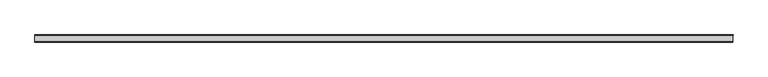
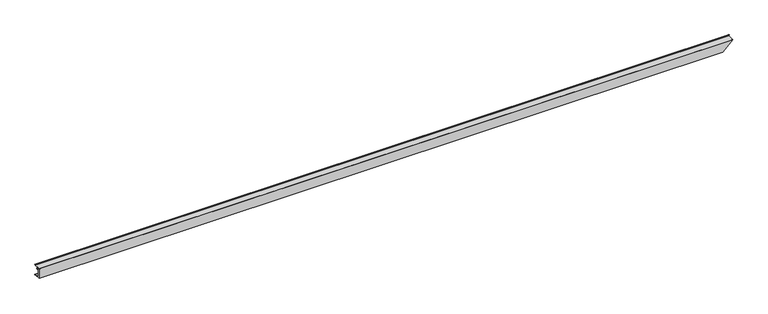
"""IFC4 building model written with IfcOpenShell, lengths in millimetres: proxy geometry."""

from ifc_helpers import new_model, si_unit, frame, origin, place, context, project, spatial, polyline, circle_curve, ellipse_curve, faceted_brep, source, transform, mapped, element, save
from ifc_brep_helpers import plane_surface, cylinder_surface, revolved_surface, advanced_brep


def specialty_equipment_a21228e5(model_context):
    return source(origin(), model_context, "Body", "SolidModel", [
        advanced_brep(
        [(0.0, 84.2845729, 38.6991105), (0.0, 83.3664989, 39.1343073), (0.0, 86.6833746, 46.1314568), (0.0, 84.8585816, 47.1962023), (0.0, 77.3330614, 39.6706822), (0.0, 0.508, 39.6706822), (0.0, 0.0, 39.1626822), (0.0, 0.0, -117.9937142), (0.0, 77.6452525, -117.9937142), (0.0, 84.9491753, -125.297637), (0.0, 86.4483719, -123.5019856), (0.0, 84.7304835, -118.7713), (0.0, 85.6854666, -118.42451), (0.0, 87.3951284, -123.1325414), (0.0, 84.4065446, -126.1918474), (0.0, 77.2244115, -119.0097142), (0.0, -25.5276818, -119.0097142), (0.0, -25.5276818, 39.6706822), (0.0, -24.5116818, 40.6866822), (0.0, 76.9122205, 40.6866822), (0.0, 84.2236616, 47.9893811), (0.0, 87.6862978, 45.9689732), (11049.5991105, 84.2845729, 38.6991105), (11050.0343073, 83.3664989, 39.1343073), (11057.0314568, 86.6833746, 46.1314568), (11058.0962023, 84.8585816, 47.1962023), (11050.5706822, 77.3330614, 39.6706822), (11050.5706822, 0.508, 39.6706822), (11050.0626822, 0.0, 39.1626822), (10892.9062858, 0.0, -117.9937142), (10892.9062858, 77.6452525, -117.9937142), (10885.602363, 84.9491753, -125.297637), (10887.3980144, 86.4483719, -123.5019856), (10892.1287, 84.7304835, -118.7713), (10892.47549, 85.6854666, -118.42451), (10887.7674586, 87.3951284, -123.1325414), (10884.7081526, 84.4065446, -126.1918474), (10891.8902858, 77.2244115, -119.0097142), (10891.8902858, -25.5276818, -119.0097142), (11050.5706822, -25.5276818, 39.6706822), (11051.5866822, -24.5116818, 40.6866822), (11051.5866822, 76.9122205, 40.6866822), (11058.8893811, 84.2236616, 47.9893811), (11056.8689732, 87.6862978, 45.9689732)],
        [
            (0, 1),
            (1, 2),
            (2, 3, circle_curve(frame((0.0, 85.5659738, 46.312487), z_axis=(1.0, 0.0, 0.0), x_axis=(0.0, 1.0, 0.0)), 1.1319702)),
            (3, 4),
            (4, 5),
            (5, 6, circle_curve(frame((0.0, 0.508, 39.1626822), z_axis=(1.0, 0.0, 0.0), x_axis=(0.0, 1.0, 0.0)), 0.508)),
            (6, 7),
            (7, 8),
            (8, 9),
            (9, 10, circle_curve(frame((0.0, 85.2410207, -124.0176315), z_axis=(1.0, 0.0, 0.0), x_axis=(0.0, 1.0, 0.0)), 1.3128548)),
            (10, 11),
            (11, 12),
            (12, 13),
            (13, 14, circle_curve(frame((0.0, 85.2410207, -124.0176315), z_axis=(-1.0, 0.0, 0.0), x_axis=(0.0, 1.0, 0.0)), 2.3288548)),
            (14, 15),
            (15, 16),
            (16, 17),
            (17, 18, circle_curve(frame((0.0, -24.5116818, 39.6706822), z_axis=(-1.0, 0.0, 0.0), x_axis=(0.0, 1.0, 0.0)), 1.016)),
            (18, 19),
            (19, 20),
            (20, 21, circle_curve(frame((0.0, 85.5659738, 46.312487), z_axis=(-1.0, 0.0, 0.0), x_axis=(0.0, 1.0, 0.0)), 2.1479702)),
            (21, 0),
            (0, 22),
            (22, 23),
            (23, 1),
            (23, 24),
            (24, 2),
            (24, 25, ellipse_curve(frame((11057.212487, 85.5659738, 46.312487), z_axis=(0.7071067811865507, 0.0, -0.7071067811865445), x_axis=(0.7071067811865442, 0.0, 0.7071067811865507)), 1.6008476, 1.1319702)),
            (25, 3),
            (25, 26),
            (26, 4),
            (26, 27),
            (27, 5),
            (27, 28, ellipse_curve(frame((11050.0626822, 0.508, 39.1626822), z_axis=(0.7071067811865507, 0.0, -0.7071067811865445), x_axis=(0.7071067811865442, 0.0, 0.7071067811865507)), 0.7184205, 0.508)),
            (28, 6),
            (28, 29),
            (29, 7),
            (29, 30),
            (30, 8),
            (30, 31),
            (31, 9),
            (31, 32, ellipse_curve(frame((10886.8823685, 85.2410207, -124.0176315), z_axis=(0.7071067811865507, 0.0, -0.7071067811865445), x_axis=(0.7071067811865442, 0.0, 0.7071067811865507)), 1.8566571, 1.3128548)),
            (32, 10),
            (32, 33),
            (33, 11),
            (33, 34),
            (34, 12),
            (34, 35),
            (35, 13),
            (35, 36, ellipse_curve(frame((10886.8823685, 85.2410207, -124.0176315), z_axis=(-0.7071067811865507, 0.0, 0.7071067811865445), x_axis=(-0.7071067811865442, 0.0, -0.7071067811865507)), 3.2934981, 2.3288548)),
            (36, 14),
            (36, 37),
            (37, 15),
            (37, 38),
            (38, 16),
            (38, 39),
            (39, 17),
            (39, 40, ellipse_curve(frame((11050.5706822, -24.5116818, 39.6706822), z_axis=(-0.7071067811865507, 0.0, 0.7071067811865445), x_axis=(-0.7071067811865442, 0.0, -0.7071067811865507)), 1.436841, 1.016)),
            (40, 18),
            (40, 41),
            (41, 19),
            (41, 42),
            (42, 20),
            (42, 43, ellipse_curve(frame((11057.212487, 85.5659738, 46.312487), z_axis=(-0.7071067811865507, 0.0, 0.7071067811865445), x_axis=(-0.7071067811865442, 0.0, -0.7071067811865507)), 3.0376885, 2.1479702)),
            (43, 21),
            (43, 22),
        ],
        [
            plane_surface(frame((0.0, 0.0818149, 1.2291165), z_axis=(-1.0, 0.0, 0.0), x_axis=(0.0, 0.0, 1.0))),
            plane_surface(frame((0.0, 84.2845729, 38.6991105), z_axis=(0.0, -0.4283433055538029, -0.9036160758791543), x_axis=(1.0, 0.0, 0.0))),
            plane_surface(frame((0.0, 83.3664989, 39.1343073), z_axis=(0.0, -0.9036160758791655, 0.4283433055537793), x_axis=(1.0, 0.0, 0.0))),
            revolved_surface(polyline([(11058.344457193607, 86.69794399999999, 46.312487), (0.0, 86.69794399999999, 46.312487)]), (0.0, 85.5659738, 46.312487), (1.0, 0.0, 0.0)),
            plane_surface(frame((0.0, 84.8585816, 47.1962023), z_axis=(0.0, 0.7071067811866342, -0.707106781186461), x_axis=(1.0, 0.0, 0.0))),
            plane_surface(frame((0.0, 77.3330614, 39.6706822), z_axis=(0.0, 0.0, -1.0), x_axis=(1.0, 0.0, 0.0))),
            revolved_surface(polyline([(11050.570682207293, 1.016, 39.1626822), (0.0, 1.016, 39.1626822)]), (0.0, 0.508, 39.1626822), (1.0, 0.0, 0.0)),
            plane_surface(frame((0.0, 0.0, 39.1626822), z_axis=(0.0, 1.0, 0.0), x_axis=(1.0, 0.0, 0.0))),
            plane_surface(frame((0.0, 0.0, -117.9937142), z_axis=(0.0, 0.0, 1.0), x_axis=(1.0, 0.0, 0.0))),
            plane_surface(frame((0.0, 77.6452525, -117.9937142), z_axis=(0.0, 0.7071067811871127, 0.7071067811859825), x_axis=(1.0, 0.0, 0.0))),
            revolved_surface(polyline([(10888.195223325749, 86.5538755, -124.0176315), (0.0, 86.5538755, -124.0176315)]), (0.0, 85.2410207, -124.0176315), (1.0, 0.0, 0.0)),
            plane_surface(frame((0.0, 86.4483719, -123.5019856), z_axis=(0.0, -0.9399439895929905, -0.341328721949988), x_axis=(1.0, 0.0, 0.0))),
            plane_surface(frame((0.0, 84.7304835, -118.7713), z_axis=(0.0, -0.34132872194998415, 0.939943989592992), x_axis=(1.0, 0.0, 0.0))),
            plane_surface(frame((0.0, 85.6854666, -118.42451), z_axis=(0.0, 0.9399439895929905, 0.341328721949988), x_axis=(1.0, 0.0, 0.0))),
            cylinder_surface(frame((0.0, 85.2410207, -124.0176315), z_axis=(-1.0, 0.0, 0.0), x_axis=(0.0, 1.0, 0.0)), 2.3288548),
            plane_surface(frame((0.0, 84.4065446, -126.1918474), z_axis=(0.0, -0.7071067811872055, -0.7071067811858895), x_axis=(1.0, 0.0, 0.0))),
            plane_surface(frame((0.0, 77.2244115, -119.0097142), z_axis=(0.0, 0.0, -1.0), x_axis=(1.0, 0.0, 0.0))),
            plane_surface(frame((0.0, -25.5276818, -119.0097142), z_axis=(0.0, -1.0, 0.0), x_axis=(1.0, 0.0, 0.0))),
            cylinder_surface(frame((0.0, -24.5116818, 39.6706822), z_axis=(-1.0, 0.0, 0.0), x_axis=(0.0, 1.0, 0.0)), 1.016),
            plane_surface(frame((0.0, -24.5116818, 40.6866822), z_axis=(0.0, 0.0, 1.0), x_axis=(1.0, 0.0, 0.0))),
            plane_surface(frame((0.0, 76.9122205, 40.6866822), z_axis=(0.0, -0.7066836626193936, 0.7075296467193719), x_axis=(1.0, 0.0, 0.0))),
            cylinder_surface(frame((0.0, 85.5659738, 46.312487), z_axis=(-1.0, 0.0, 0.0), x_axis=(0.0, 1.0, 0.0)), 2.1479702),
            plane_surface(frame((0.0, 87.6862978, 45.9689732), z_axis=(0.0, 0.9057471191013545, -0.42381854164205307), x_axis=(1.0, 0.0, 0.0))),
            plane_surface(frame((11059.4394, -67.4899439, 48.5394), z_axis=(0.7071067811865507, 0.0, -0.7071067811865445), x_axis=(0.0, 1.0, 0.0))),
        ],
        [
            (0, [[1, 2, 3, 4, 5, 6, 7, 8, 9, 10, 11, 12, 13, 14, 15, 16, 17, 18, 19, 20, 21, 22]]),
            (1, [[-1, 23, 24, 25]]),
            (2, [[-2, -25, 26, 27]]),
            (3, [[-3, -27, 28, 29]]),
            (4, [[-4, -29, 30, 31]]),
            (5, [[-5, -31, 32, 33]]),
            (6, [[-6, -33, 34, 35]]),
            (7, [[-7, -35, 36, 37]]),
            (8, [[-8, -37, 38, 39]]),
            (9, [[-9, -39, 40, 41]]),
            (10, [[-10, -41, 42, 43]]),
            (11, [[-11, -43, 44, 45]]),
            (12, [[-12, -45, 46, 47]]),
            (13, [[-13, -47, 48, 49]]),
            (14, [[-14, -49, 50, 51]]),
            (15, [[-15, -51, 52, 53]]),
            (16, [[-16, -53, 54, 55]]),
            (17, [[-17, -55, 56, 57]]),
            (18, [[-18, -57, 58, 59]]),
            (19, [[-19, -59, 60, 61]]),
            (20, [[-20, -61, 62, 63]]),
            (21, [[-21, -63, 64, 65]]),
            (22, [[-22, -65, 66, -23]]),
            (23, [[-24, -66, -64, -62, -60, -58, -56, -54, -52, -50, -48, -46, -44, -42, -40, -38, -36, -34, -32, -30, -28, -26]]),
        ],
    ),
        faceted_brep([(0.0, 20.9756339, 32.611715), (0.0, 3.96875, 32.611715), (0.0, 3.96875, 7.7597004), (0.0, 40.03675, 7.7597004), (0.0, 40.03675, 5.7277005), (0.0, 1.9367501, 5.7277005), (0.0, 1.9367501, 34.6202), (0.0, 20.9756339, 34.6202), (11043.511715, 20.9756339, 32.611715), (11043.511715, 3.96875, 32.611715), (11018.6597004, 3.96875, 7.7597004), (11018.6597004, 40.03675, 7.7597004), (11016.6277005, 40.03675, 5.7277005), (11016.6277005, 1.9367501, 5.7277005), (11045.5202, 1.9367501, 34.6202), (11045.5202, 20.9756339, 34.6202)], [[[0, 1, 2, 3, 4, 5, 6, 7]], [[1, 0, 8, 9]], [[2, 1, 9, 10]], [[3, 2, 10, 11]], [[4, 3, 11, 12]], [[5, 4, 12, 13]], [[6, 5, 13, 14]], [[7, 6, 14, 15]], [[0, 7, 15, 8]], [[9, 8, 15, 14, 13, 12, 11, 10]]]),
    ])


if __name__ == "__main__":
    model = new_model("IFC4")
    model_context = context("Model", 3, world=origin())
    ifc_project = project(units=[si_unit("LENGTHUNIT", "METRE", prefix="MILLI")], contexts=[model_context])
    site = spatial("IfcSite", under=ifc_project)
    building = spatial("IfcBuilding", under=site)
    placement = place(None, origin())
    specialty_equipment_shape = specialty_equipment_a21228e5(model_context)
    element("IfcBuildingElementProxy", 1, Name="Specialty Equipment", at=placement, inside=building, context=model_context, shape_type="MappedRepresentation", body=[
        mapped(specialty_equipment_shape, transform((0.0, 0.0, 0.0), x_axis=(1.0, 0.0, 0.0), y_axis=(0.0, 1.0, 0.0), z_axis=(0.0, 0.0, 1.0))),
    ])
    save(model, "model.ifc")
